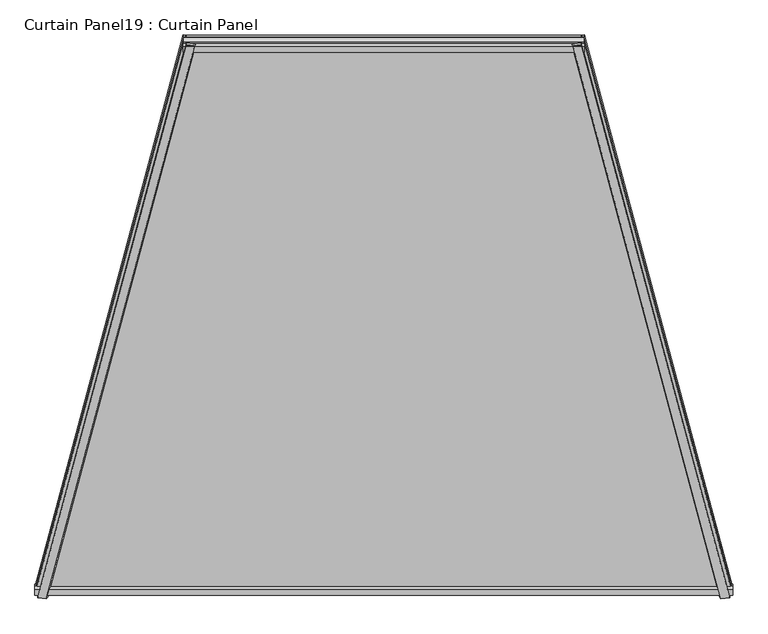
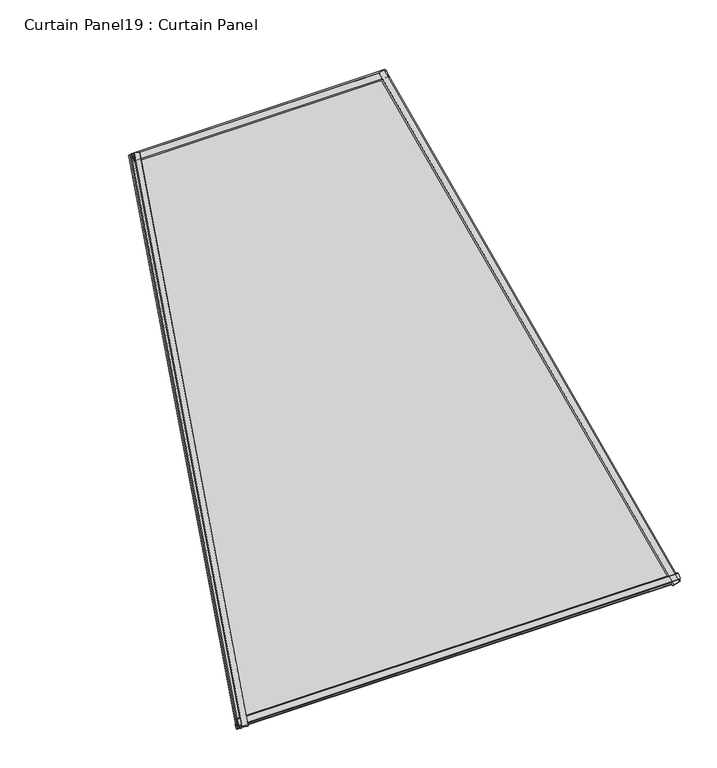
"""IFC4 building model written with IfcOpenShell, lengths in millimetres: plate geometry, Curtain Panel19 : Curtain Panel."""

import ifcopenshell
import ifcopenshell.guid

model = None  # the IFC model being written
_history = None  # IfcOwnerHistory: only IFC2X3 demands one
_inside = {}  # id of a spatial element -> (the spatial element, [elements in it])
_under = {}  # id of a project, library or spatial element -> (it, [spatial elements below it])
_declared = {}  # id of a project -> (the project, [libraries it declares])
_typed = {}  # id of a type object -> (the type object, [elements of that type])
_made_of = {}  # id of a material, layer set ... -> (it, [elements and type objects made of it])


def new_model(schema):
    """Start an empty IFC model of exactly this schema.

    Asked for "IFC4X3", IfcOpenShell would pick the latest addendum, in which some entities
    have other attributes; the version numbers below select the first issue.
    IFC2X3 requires an IfcOwnerHistory on every rooted entity: one is made here for all.
    """
    global model, _history
    if schema == "IFC4X3":
        model = ifcopenshell.file(schema_version=(4, 3, 0, 0))
    else:
        model = ifcopenshell.file(schema=schema)
    _inside.clear()
    _under.clear()
    _declared.clear()
    _typed.clear()
    _made_of.clear()
    _history = None
    if model.schema == "IFC2X3":
        org = make("IfcOrganization", Name="unknown")
        user = make(
            "IfcPersonAndOrganization",
            ThePerson=make("IfcPerson", FamilyName="unknown"),
            TheOrganization=org,
        )
        app = make(
            "IfcApplication",
            ApplicationDeveloper=org,
            Version="unknown",
            ApplicationFullName="unknown",
            ApplicationIdentifier="unknown",
        )
        _history = make(
            "IfcOwnerHistory",
            OwningUser=user,
            OwningApplication=app,
            ChangeAction="ADDED",
            CreationDate=0,
        )
    return model


def make(cls, **values):
    """One entity of the class cls with the attributes given. An attribute that is None is left unset."""
    return model.create_entity(
        cls, **{name: value for name, value in values.items() if value is not None}
    )


def rooted(cls, **values):
    """An entity with a GlobalId (a new one), such as an element, a storey or a relation."""
    return make(cls, GlobalId=ifcopenshell.guid.new(), OwnerHistory=_history, **values)


def si_unit(unit_type, name, prefix=None):
    """IfcSIUnit, for example si_unit("LENGTHUNIT", "METRE", prefix="MILLI")."""
    return make("IfcSIUnit", UnitType=unit_type, Prefix=prefix, Name=name)


def assignment(units):
    """IfcUnitAssignment: the units of a project."""
    return None if units is None else make("IfcUnitAssignment", Units=units)


def point(xyz):
    """IfcCartesianPoint."""
    return None if xyz is None else make("IfcCartesianPoint", Coordinates=xyz)


def direction(xyz):
    """IfcDirection."""
    return None if xyz is None else make("IfcDirection", DirectionRatios=xyz)


def frame(location, z_axis=None, x_axis=None):
    """IfcAxis2Placement3D, a coordinate frame: its origin and axes. An axis left out is left unset."""
    return make(
        "IfcAxis2Placement3D",
        Location=point(location),
        Axis=direction(z_axis),
        RefDirection=direction(x_axis),
    )


def origin():
    """The frame at (0, 0, 0) with its axes left unset."""
    return frame((0.0, 0.0, 0.0))


def place(relative_to, where):
    """IfcLocalPlacement: puts the frame where relative to a parent placement (None: the world)."""
    return make(
        "IfcLocalPlacement", PlacementRelTo=relative_to, RelativePlacement=where
    )


def context(
    kind, dimensions, precision=None, world=None, true_north=None, identifier=None
):
    """IfcGeometricRepresentationContext, for example the 3D "Model" context."""
    return make(
        "IfcGeometricRepresentationContext",
        ContextIdentifier=identifier,
        ContextType=kind,
        CoordinateSpaceDimension=dimensions,
        Precision=precision,
        WorldCoordinateSystem=world,
        TrueNorth=true_north,
    )


def project(units=None, contexts=None):
    """IfcProject with its units and contexts."""
    return rooted(
        "IfcProject",
        Name="project",
        RepresentationContexts=contexts,
        UnitsInContext=assignment(units),
    )


def spatial(cls, under=None, at=None, **own):
    """A site, building, storey or space (cls), placed at a placement, below another one or the project."""
    s = rooted(cls, ObjectPlacement=at, **own)
    if under is not None:
        _under.setdefault(under.id(), (under, []))[1].append(s)
    return s


def polyline(points):
    """IfcPolyline through the points."""
    return make("IfcPolyline", Points=[point(p) for p in points])


def outline(outer, holes=None, kind="AREA"):
    """IfcArbitraryClosedProfileDef: a profile drawn as a closed curve; with holes, ...WithVoids."""
    if holes is None:
        return make("IfcArbitraryClosedProfileDef", ProfileType=kind, OuterCurve=outer)
    return make(
        "IfcArbitraryProfileDefWithVoids",
        ProfileType=kind,
        OuterCurve=outer,
        InnerCurves=holes,
    )


def extrude(swept, where, along, depth):
    """IfcExtrudedAreaSolid: the profile swept, set in the frame where, extruded along a direction by depth."""
    return make(
        "IfcExtrudedAreaSolid",
        SweptArea=swept,
        Position=where,
        ExtrudedDirection=direction(along),
        Depth=depth,
    )


def shape(context_of_items, identifier, shape_type, items):
    """IfcShapeRepresentation: the items that make up one representation, for example the "Body"."""
    return make(
        "IfcShapeRepresentation",
        ContextOfItems=context_of_items,
        RepresentationIdentifier=identifier,
        RepresentationType=shape_type,
        Items=items,
    )


def source(mapping_origin, context_of_items, identifier, shape_type, items):
    """IfcRepresentationMap: a shape defined once, which mapped items show again and again."""
    return make(
        "IfcRepresentationMap",
        MappingOrigin=mapping_origin,
        MappedRepresentation=shape(context_of_items, identifier, shape_type, items),
    )


def transform(
    local_origin,
    x_axis=None,
    y_axis=None,
    z_axis=None,
    scale=None,
    scale2=None,
    scale3=None,
    uniform=True,
):
    """IfcCartesianTransformationOperator3D, or its non-uniform kind. x_axis, y_axis, z_axis: its Axis1, 2, 3."""
    if uniform:
        return make(
            "IfcCartesianTransformationOperator3D",
            Axis1=direction(x_axis),
            Axis2=direction(y_axis),
            LocalOrigin=point(local_origin),
            Scale=scale,
            Axis3=direction(z_axis),
        )
    return make(
        "IfcCartesianTransformationOperator3DnonUniform",
        Axis1=direction(x_axis),
        Axis2=direction(y_axis),
        LocalOrigin=point(local_origin),
        Scale=scale,
        Axis3=direction(z_axis),
        Scale2=scale2,
        Scale3=scale3,
    )


def mapped(mapping_source, mapping_target):
    """IfcMappedItem: shows the shape of a source again, moved by a transform."""
    return make(
        "IfcMappedItem", MappingSource=mapping_source, MappingTarget=mapping_target
    )


def made_of(thing, what):
    """Note that an element or type object is made of a material, layer set ...; save() writes the relation."""
    if what is not None:
        _made_of.setdefault(what.id(), (what, []))[1].append(thing)
    return thing


def element(
    cls,
    number,
    at=None,
    inside=None,
    cuts=None,
    type_object=None,
    material=None,
    context=None,
    identifier="Body",
    shape_type=None,
    held_by="IfcProductDefinitionShape",
    body=None,
    shapes=None,
    **own,
):
    """One element of the class cls, such as IfcWall. Its Tag is "e" and its number.

    at: its placement. inside: the storey or other place that contains it. cuts: it is an
    opening in that element (IfcRelVoidsElement). A single representation is given by context,
    identifier, shape_type and body (its items); several are given by shapes. held_by: the class
    of the entity that holds the representations. save() writes the other relations.
    """
    e = rooted(cls, Tag="e%d" % number, ObjectPlacement=at, **own)
    if body is not None:
        shapes = [shape(context, identifier, shape_type, body)]
    if shapes is not None:
        e.Representation = make(held_by, Representations=shapes)
    if inside is not None:
        _inside.setdefault(inside.id(), (inside, []))[1].append(e)
    if cuts is not None:
        rooted(
            "IfcRelVoidsElement", RelatingBuildingElement=cuts, RelatedOpeningElement=e
        )
    if type_object is not None:
        _typed.setdefault(type_object.id(), (type_object, []))[1].append(e)
    return made_of(e, material)


def aggregate(whole, parts):
    """IfcRelAggregates: a whole, such as a stair, and the parts it consists of."""
    return rooted("IfcRelAggregates", RelatingObject=whole, RelatedObjects=parts)


def save(model, path):
    """Write the relations noted so far, then the file.

    IfcRelAggregates (storeys below a building ...), IfcRelContainedInSpatialStructure (elements
    in a storey), IfcRelDefinesByType, IfcRelAssociatesMaterial and IfcRelDeclares: one each for
    every whole, place, type object, material and project.
    """
    for whole, parts in _under.values():
        aggregate(whole, parts)
    for where, things in _inside.values():
        rooted(
            "IfcRelContainedInSpatialStructure",
            RelatedElements=things,
            RelatingStructure=where,
        )
    for kind, things in _typed.values():
        rooted("IfcRelDefinesByType", RelatedObjects=things, RelatingType=kind)
    for what, things in _made_of.values():
        rooted("IfcRelAssociatesMaterial", RelatedObjects=things, RelatingMaterial=what)
    for by, libraries in _declared.values():
        rooted("IfcRelDeclares", RelatingContext=by, RelatedDefinitions=libraries)
    model.write(path)


def curtain_panel19_curtain_panel_72b8a3c8(model_context):
    return source(origin(), model_context, "Body", "SweptSolid", [
        extrude(outline(polyline([(22.3831196, 5.9476601), (17.5121094, 5.963242), (17.5121094, 25.3444409), (22.4361731, 22.532548), (22.3831196, 5.9476601)])), frame((-12872.6759749, -16241.6388652, 2447.9025634), z_axis=(0.1830127018922201, 0.6830127018922195, 0.7071067811865471), x_axis=(0.0, -0.7192545966764036, 0.6947465906068658)), (0.0, 0.0, 1.0), 1550.2696742),
        extrude(outline(polyline([(-2.3405704, 0.0), (-0.0198592, 12.2485208), (4.7128906, 11.3518129), (4.7128906, 0.0), (-2.3405704, 0.0)])), frame((-12872.6759749, -16241.6388652, 2447.9025634), z_axis=(0.1830127018922201, 0.6830127018922195, 0.7071067811865471), x_axis=(0.0, -0.7192545966764036, 0.6947465906068658)), (0.0, 0.0, 1.0), 1550.2696742),
        extrude(outline(polyline([(22.2825604, -5.9479817), (22.336207, -22.5896337), (17.5121094, -25.3444409), (17.5121094, -5.963242), (22.2825604, -5.9479817)])), frame((-11535.6247617, -16241.6388652, 2447.9025634), z_axis=(-0.183012701892219, 0.6830127018922193, 0.7071067811865477), x_axis=(0.0, -0.7192545966764036, 0.6947465906068659)), (0.0, 0.0, 1.0), 1550.2696742),
        extrude(outline(polyline([(-2.4443225, 0.0), (4.7128906, 0.0), (4.7128906, -11.3518128), (-0.1197124, -12.2674397), (-2.4443225, 0.0)])), frame((-11535.6247617, -16241.6388652, 2447.9025634), z_axis=(-0.183012701892219, 0.6830127018922193, 0.7071067811865477), x_axis=(0.0, -0.7192545966764036, 0.6947465906068659)), (0.0, 0.0, 1.0), 1550.2696742),
        extrude(outline(polyline([(-16244.8177594, 2451.3951409), (-16235.2518341, 2461.2985155), (-16232.542467, 2457.3093459), (-16237.9404994, 2447.5796422), (-16244.8177594, 2451.3951409)])), frame((-12872.5629678, 0.0, 0.0), z_axis=(1.0, 0.0, 0.0), x_axis=(0.0, 1.0, 0.0)), (0.0, 0.0, 1.0), 1336.8251994),
        extrude(outline(polyline([(-16242.3828392, 2479.4739025), (-16237.0999308, 2477.8080844), (-16251.2741305, 2463.1338731), (-16253.9643301, 2467.4899121), (-16242.3828392, 2479.4739025)])), frame((-12872.5629678, 0.0, 0.0), z_axis=(1.0, 0.0, 0.0), x_axis=(0.0, 1.0, 0.0)), (0.0, 0.0, 1.0), 1336.8251994),
        extrude(outline(polyline([(-15185.9638806, 3547.6013402), (-15181.9123466, 3540.8604346), (-15191.4491409, 3535.128468), (-15195.5298059, 3537.6979656), (-15185.9638806, 3547.6013402)])), frame((-12588.8439261, 0.0, 0.0), z_axis=(1.0, 0.0, 0.0), x_axis=(0.0, 1.0, 0.0)), (0.0, 0.0, 1.0), 769.3871156),
        extrude(outline(polyline([(-15213.9413963, 3544.1948313), (-15202.365953, 3556.1846632), (-15197.9193033, 3553.6470352), (-15212.093503, 3538.9728239), (-15213.9413963, 3544.1948313)])), frame((-12588.8439261, 0.0, 0.0), z_axis=(1.0, 0.0, 0.0), x_axis=(0.0, 1.0, 0.0)), (0.0, 0.0, 1.0), 769.3871156),
        extrude(outline(polyline([(-15.9757143, 0.0), (-260.6523877, -1314.3580534), (-1707.073685, -756.5036878), (-1566.2453885, 1e-07), (-15.9757143, 0.0)])), frame((-11532.7575066, -16255.7293752, 2440.098605), z_axis=(0.0, -0.7192545966764036, 0.6947465906068659), x_axis=(0.18301270189221877, -0.6830127018922193, -0.7071067811865478)), (0.0, 0.0, 1.0), 12.7992188),
    ])


if __name__ == "__main__":
    model = new_model("IFC4")
    model_context = context("Model", 3, world=origin())
    ifc_project = project(units=[si_unit("LENGTHUNIT", "METRE", prefix="MILLI")], contexts=[model_context])
    site = spatial("IfcSite", under=ifc_project)
    building = spatial("IfcBuilding", under=site)
    placement = place(None, origin())
    curtain_panel19_curtain_panel_shape = curtain_panel19_curtain_panel_72b8a3c8(model_context)
    element("IfcPlate", 1, ObjectType="Curtain Panel19 : Curtain Panel", at=placement, inside=building, context=model_context, shape_type="MappedRepresentation", body=[
        mapped(curtain_panel19_curtain_panel_shape, transform((0.0, 0.0, 0.0), x_axis=(1.0, 0.0, 0.0), y_axis=(0.0, 1.0, 0.0), z_axis=(0.0, 0.0, 1.0))),
    ])
    save(model, "model.ifc")
